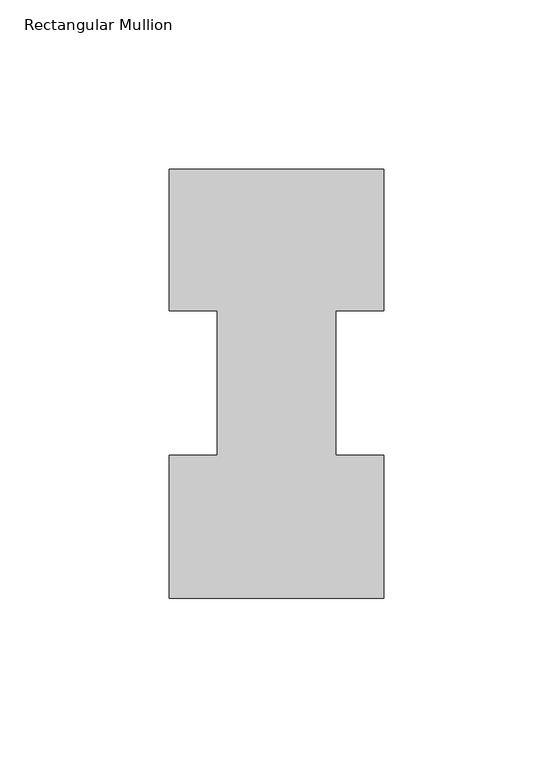
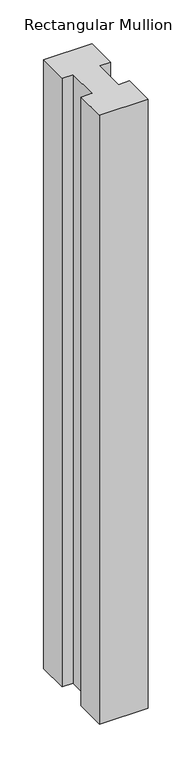
"""IFC4 building model written with IfcOpenShell, lengths in millimetres: member geometry, Rectangular Mullion."""

from ifc_helpers import new_model, si_unit, frame, origin, place, context, project, spatial, polyline, outline, extrude, source, transform, mapped, element, save


def rectangular_mullion_63b80d83(model_context):
    return source(origin(), model_context, "Body", "SweptSolid", [
        extrude(outline(polyline([(31.7494574, 126.9888875), (31.7494574, 85.1296875), (17.5682137, 85.1296875), (17.5682137, 42.2798875), (31.75, 42.2798875), (31.75, -0.0111125), (-31.7494574, -0.0111125), (-31.7494574, 42.2798875), (-17.4644974, 42.2798875), (-17.4644974, 85.1296875), (-31.7494574, 85.1296875), (-31.7494574, 126.9888875), (31.7494574, 126.9888875)])), frame((0.0, 0.0, -844.5510851), z_axis=(0.0, 0.0, 1.0), x_axis=(1.0, 0.0, 0.0)), (0.0, 0.0, 1.0), 844.5510851),
    ])


if __name__ == "__main__":
    model = new_model("IFC4")
    model_context = context("Model", 3, world=origin())
    ifc_project = project(units=[si_unit("LENGTHUNIT", "METRE", prefix="MILLI")], contexts=[model_context])
    site = spatial("IfcSite", under=ifc_project)
    building = spatial("IfcBuilding", under=site)
    placement = place(None, origin())
    rectangular_mullion_shape = rectangular_mullion_63b80d83(model_context)
    element("IfcMember", 1, ObjectType="Rectangular Mullion", at=placement, inside=building, context=model_context, shape_type="MappedRepresentation", body=[
        mapped(rectangular_mullion_shape, transform((0.0, 0.0, 0.0), x_axis=(1.0, 0.0, 0.0), y_axis=(0.0, 1.0, 0.0), z_axis=(0.0, 0.0, 1.0))),
    ])
    save(model, "model.ifc")
